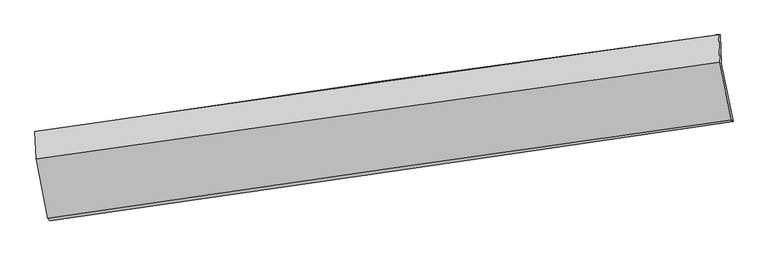
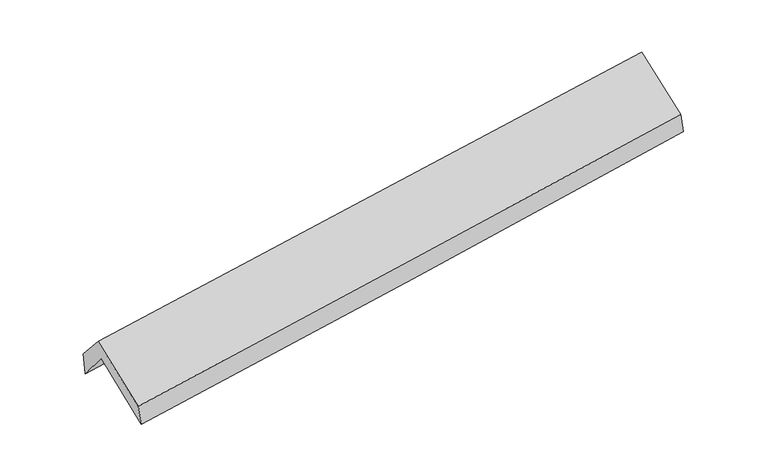
"""IFC4 building model written with IfcOpenShell, lengths in millimetres: proxy geometry."""

from ifc_helpers import new_model, si_unit, frame, origin, place, context, project, spatial, source, transform, mapped, element, save
from ifc_brep_helpers import plane_surface, spline_curve, spline_surface, advanced_brep


def generic_models_c8a0505f(model_context):
    return source(origin(), model_context, "Body", "AdvancedBrep", [
        advanced_brep(
        [(-2907.6434014, -2521.1460207, 1443.6116572), (-3011.4477674, -2003.5479055, 1871.5972182), (2949.8963424, -1143.6134816, 2386.5000831), (3052.9853523, -1650.0847572, 1948.4162439), (-3021.7701407, -1740.512297, 1549.0127059), (2941.2822624, -894.1938233, 2065.6708367), (-3039.0498969, -1737.5829359, 1763.9092209), (2926.7417779, -894.0552277, 2250.5160515), (-3028.1460175, -1976.9882802, 2038.307981), (2937.5472798, -1130.99773, 2521.9163932), (-2925.1537027, -2498.8190196, 1627.9640872), (3037.4847936, -1639.2319292, 2126.9902991)],
        [
            (0, 1),
            (1, 2, spline_curve(3, [(-3011.4477674, -2003.5479055, 1871.5972182), (-2017.620515758, -1860.576751314, 1954.639953998), (-1023.930314458, -1717.430276004, 2039.069706508), (963.184390987, -1430.785470885, 2210.703971387), (1956.608893228, -1287.287138143, 2297.908507085), (2949.8963424, -1143.6134816, 2386.5000831)], [4, 2, 4], [0.0, 9.916380361484146, 19.832844602269084])),
            (2, 3),
            (3, 0, spline_curve(3, [(3052.9853523, -1650.0847572, 1948.4162439), (2060.412076636, -1797.970651744, 1858.003984226), (1067.404273391, -1944.502339049, 1770.73064083), (-919.47198507, -2234.856070554, 1602.462498229), (-1913.340433227, -2378.678137691, 1521.467646116), (-2907.6434014, -2521.1460207, 1443.6116572)], [4, 2, 4], [0.0, 9.916464240784938, 19.832844602269084])),
            (1, 4),
            (4, 5, spline_curve(3, [(-3021.7701407, -1740.512297, 1549.0127059), (-2028.488214749, -1588.630866251, 1623.61846222), (-1034.92832088, -1442.163886758, 1703.975978556), (952.755808818, -1160.057637127, 1876.195258013), (1946.880049324, -1024.418458692, 1968.057119077), (2941.2822624, -894.1938233, 2065.6708367)], [4, 2, 4], [0.0, 9.91634278330149, 19.83276944558591])),
            (5, 2),
            (4, 6),
            (6, 7, spline_curve(3, [(-3039.0498969, -1737.5829359, 1763.9092209), (-2045.774122825, -1593.495156244, 1852.044459323), (-1051.989034019, -1451.157580372, 1936.66249142), (936.608182219, -1169.981648247, 2098.864827585), (1931.420318526, -1031.143321142, 2176.449072756), (2926.7417779, -894.0552277, 2250.5160515)], [4, 2, 4], [0.0, 9.916072174336987, 19.832228225367913])),
            (7, 5),
            (6, 8),
            (8, 9, spline_curve(3, [(-3028.1460175, -1976.9882802, 2038.307981), (-2033.895327219, -1836.875808263, 2120.894650244), (-1039.630976761, -1696.320659592, 2202.488519842), (948.933455421, -1414.323816956, 2363.691340735), (1943.233537337, -1272.88211546, 2443.300275203), (2937.5472798, -1130.99773, 2521.9163932)], [4, 2, 4], [0.0, 9.915922486495104, 19.831928848417988])),
            (9, 7),
            (8, 10),
            (10, 11, spline_curve(3, [(-2925.1537027, -2498.8190196, 1627.9640872), (-1931.756623587, -2350.325494441, 1706.951305841), (-938.173644866, -2204.446766477, 1788.030248004), (1049.37251762, -1917.917691902, 1954.372283109), (2043.335704437, -1777.267390089, 2039.635411551), (3037.4847936, -1639.2319292, 2126.9902991)], [4, 2, 4], [0.0, 9.91601910778387, 19.832122091812806])),
            (11, 9),
            (10, 0),
            (3, 11),
        ],
        [
            spline_surface(3, 3, [[(-2907.6434014, -2521.1460207, 1443.6116572), (-1913.340433133, -2378.678137852, 1521.467646137), (-919.471985137, -2234.856070604, 1602.462498301), (1067.404273458, -1944.502339, 1770.730640757), (2060.412076674, -1797.970651775, 1858.003984178), (3052.9853523, -1650.0847572, 1948.4162439)], [(-2942.244856709, -2348.613315631, 1586.273510879), (-1948.100460638, -2205.977675638, 1665.858415421), (-954.291428243, -2062.380805727, 1747.998234399), (1032.664312673, -1773.263382992, 1917.388417644), (2025.81101549, -1627.742813947, 2004.638825162), (3018.622348988, -1481.260998683, 2094.444190309)], [(-2976.846312091, -2176.080610569, 1728.935364521), (-1982.860488216, -2033.27721343, 1810.24918467), (-989.110871408, -1889.905540819, 1893.533970438), (997.924351829, -1602.024426954, 2064.046194472), (1991.209954342, -1457.514976071, 2151.273666118), (2984.259345712, -1312.437240117, 2240.472136691)], [(-3011.4477674, -2003.5479055, 1871.5972182), (-2017.620515721, -1860.576751216, 1954.639953954), (-1023.930314515, -1717.430275942, 2039.069706536), (963.184391044, -1430.785470947, 2210.703971359), (1956.608893158, -1287.287138243, 2297.908507101), (2949.8963424, -1143.6134816, 2386.5000831)]], [4, 4], [4, 2, 4], [0.0, 2.2463544511246765], [0.0, 9.916380361484146, 19.832844602269084]),
            spline_surface(3, 3, [[(-3011.4477674, -2003.5479055, 1871.5972182), (-2017.620515721, -1860.576751216, 1954.639953954), (-1023.930314515, -1717.430275942, 2039.069706536), (963.184391044, -1430.785470947, 2210.703971359), (1956.608893158, -1287.287138243, 2297.908507101), (2949.8963424, -1143.6134816, 2386.5000831)], [(-3014.888558529, -1915.869369316, 1764.069047441), (-2021.243082064, -1769.92812286, 1844.29945677), (-1027.596316655, -1625.67481286, 1927.371797166), (959.708196946, -1340.542859703, 2099.201066923), (1953.365945239, -1199.664245085, 2187.958044397), (2947.024982417, -1060.473595495, 2279.557000981)], [(-3018.329349571, -1828.190833184, 1656.540876659), (-2024.865648319, -1679.279494556, 1733.958959563), (-1031.262318733, -1533.919349765, 1815.673887843), (956.232002909, -1250.300248446, 1987.698162533), (1950.122997268, -1112.041351943, 2078.00758165), (2944.153622383, -977.333709405, 2172.613918819)], [(-3021.7701407, -1740.512297, 1549.0127059), (-2028.488214662, -1588.6308662, 1623.618462378), (-1034.928320873, -1442.163886683, 1703.975978473), (952.755808811, -1160.057637202, 1876.195258096), (1946.880049349, -1024.418458784, 1968.057118946), (2941.2822624, -894.1938233, 2065.6708367)]], [4, 4], [4, 2, 4], [0.0, 1.4177406349485326], [0.0, 9.91634278330149, 19.83276944558591]),
            spline_surface(3, 3, [[(-3021.7701407, -1740.512297, 1549.0127059), (-2028.488214662, -1588.6308662, 1623.618462378), (-1034.928320873, -1442.163886683, 1703.975978473), (952.755808811, -1160.057637202, 1876.195258096), (1946.880049349, -1024.418458784, 1968.057118946), (2941.2822624, -894.1938233, 2065.6708367)], [(-3027.530059422, -1739.535843313, 1620.644877563), (-2034.250183986, -1590.252296193, 1699.760461389), (-1040.615225269, -1445.161784615, 1781.538149416), (947.373266624, -1163.365640844, 1950.41844795), (1941.726805747, -1026.660079534, 2037.521103511), (2936.435434218, -894.147624753, 2127.285908291)], [(-3033.289978178, -1738.559389587, 1692.277049237), (-2040.012153344, -1591.873726146, 1775.902460411), (-1046.30212966, -1448.159682553, 1859.10032038), (941.990724442, -1166.673644491, 2024.641637827), (1936.57356219, -1028.901700324, 2106.985088103), (2931.588606082, -894.101426247, 2188.900979909)], [(-3039.0498969, -1737.5829359, 1763.9092209), (-2045.774122669, -1593.495156139, 1852.044459422), (-1051.989034056, -1451.157580485, 1936.662491323), (936.608182255, -1169.981648134, 2098.864827681), (1931.420318588, -1031.143321073, 2176.449072668), (2926.7417779, -894.0552277, 2250.5160515)]], [4, 4], [4, 2, 4], [0.0, 0.7496014819197357], [0.0, 9.916072174336987, 19.832228225367913]),
            spline_surface(3, 3, [[(-3039.0498969, -1737.5829359, 1763.9092209), (-2045.774122669, -1593.495156139, 1852.044459422), (-1051.989034056, -1451.157580485, 1936.662491323), (936.608182255, -1169.981648134, 2098.864827681), (1931.420318588, -1031.143321073, 2176.449072668), (2926.7417779, -894.0552277, 2250.5160515)], [(-3035.415270439, -1817.384717317, 1855.375474273), (-2041.814524219, -1674.622040123, 1941.661189737), (-1047.869681608, -1532.878606858, 2025.271167502), (940.716606675, -1251.429037766, 2187.140332018), (1935.358058186, -1111.722919212, 2265.399473536), (2930.343611892, -973.0360618, 2340.982832055)], [(-3031.780643961, -1897.186498783, 1946.841727627), (-2037.854925753, -1755.748924157, 2031.277920034), (-1043.750329231, -1614.599633187, 2113.879843693), (944.825031024, -1332.876427356, 2275.415836368), (1939.29579771, -1192.302517351, 2354.349874438), (2933.945445808, -1052.0168959, 2431.449612645)], [(-3028.1460175, -1976.9882802, 2038.307981), (-2033.895327303, -1836.875808141, 2120.894650349), (-1039.630976783, -1696.320659559, 2202.488519871), (948.933455444, -1414.323816988, 2363.691340706), (1943.233537308, -1272.88211549, 2443.300275306), (2937.5472798, -1130.99773, 2521.9163932)]], [4, 4], [4, 2, 4], [0.0, 1.1849882746966967], [0.0, 9.915922486495104, 19.831928848417988]),
            spline_surface(3, 3, [[(-3028.1460175, -1976.9882802, 2038.307981), (-2033.895327303, -1836.875808141, 2120.894650349), (-1039.630976783, -1696.320659559, 2202.488519871), (948.933455444, -1414.323816988, 2363.691340706), (1943.233537308, -1272.88211549, 2443.300275306), (2937.5472798, -1130.99773, 2521.9163932)], [(-2993.815245876, -2150.931860003, 1901.526683059), (-1999.849092664, -2008.025703608, 1982.91353547), (-1005.811866106, -1865.696028472, 2064.335762578), (982.413142804, -1582.188441966, 2227.251654878), (1976.600926285, -1441.010540329, 2308.745320753), (2970.859784388, -1300.409129723, 2390.27436184)], [(-2959.484474324, -2324.875439797, 1764.745385141), (-1965.802858096, -2179.175599065, 1844.932420613), (-971.992755438, -2035.071397465, 1926.183005233), (1015.892830156, -1750.053067024, 2090.811969), (2009.968315299, -1609.138965198, 2174.19036618), (3004.172289012, -1469.820529477, 2258.63233046)], [(-2925.1537027, -2498.8190196, 1627.9640872), (-1931.756623457, -2350.325494533, 1706.951305733), (-938.173644761, -2204.446766377, 1788.03024794), (1049.372517515, -1917.917692002, 1954.372283173), (2043.335704276, -1777.267390037, 2039.635411627), (3037.4847936, -1639.2319292, 2126.9902991)]], [4, 4], [4, 2, 4], [0.0, 2.1656950706796074], [0.0, 9.91601910778387, 19.832122091812806]),
            spline_surface(3, 3, [[(-2925.1537027, -2498.8190196, 1627.9640872), (-1931.756623457, -2350.325494533, 1706.951305733), (-938.173644761, -2204.446766377, 1788.03024794), (1049.372517515, -1917.917692002, 1954.372283173), (2043.335704276, -1777.267390037, 2039.635411627), (3037.4847936, -1639.2319292, 2126.9902991)], [(-2919.316935624, -2506.261353319, 1566.513277186), (-1925.617893373, -2359.776375658, 1645.123419187), (-931.939758244, -2214.583201119, 1726.174331384), (1055.383102805, -1926.779241, 1893.158402358), (2049.027828407, -1784.168477296, 1979.091602468), (3042.651646498, -1642.849538546, 2067.465614024)], [(-2913.480168476, -2513.703686981, 1505.062467214), (-1919.479163217, -2369.227256726, 1583.295532683), (-925.705871654, -2224.719635862, 1664.318414857), (1061.393688168, -1935.640790001, 1831.944521572), (2054.719952544, -1791.069564516, 1918.547793337), (3047.818499402, -1646.467147854, 2007.940928976)], [(-2907.6434014, -2521.1460207, 1443.6116572), (-1913.340433133, -2378.678137852, 1521.467646137), (-919.471985137, -2234.856070604, 1602.462498301), (1067.404273458, -1944.502339, 1770.730640757), (2060.412076674, -1797.970651775, 1858.003984178), (3052.9853523, -1650.0847572, 1948.4162439)]], [4, 4], [4, 2, 4], [0.0, 0.6157875456030859], [0.0, 9.916305199845374, 19.83269427835577]),
            plane_surface(frame((2974.3229681, -1225.3628248, 2216.6683179), z_axis=(0.9879433082540485, 0.13395543880085567, 0.07761417455411224), x_axis=(0.15343148169491488, -0.7802788291477888, -0.6063198241923636))),
            plane_surface(frame((-2988.8684878, -2079.7660765, 1715.7338118), z_axis=(-0.9879433082546404, -0.13395543879151317, -0.0776141745627042), x_axis=(-0.0938773096655619, 0.11970089916602898, 0.98836164710535))),
        ],
        [
            (0, [[1, 2, 3, 4]]),
            (1, [[5, 6, 7, -2]]),
            (2, [[8, 9, 10, -6]]),
            (3, [[11, 12, 13, -9]]),
            (4, [[14, 15, 16, -12]]),
            (5, [[17, -4, 18, -15]]),
            (6, [[-16, -18, -3, -7, -10, -13]]),
            (7, [[-17, -14, -11, -8, -5, -1]]),
        ],
    ),
    ])


if __name__ == "__main__":
    model = new_model("IFC4")
    model_context = context("Model", 3, world=origin())
    ifc_project = project(units=[si_unit("LENGTHUNIT", "METRE", prefix="MILLI")], contexts=[model_context])
    site = spatial("IfcSite", under=ifc_project)
    building = spatial("IfcBuilding", under=site)
    placement = place(None, origin())
    generic_models_shape = generic_models_c8a0505f(model_context)
    element("IfcBuildingElementProxy", 1, Name="Generic Models", at=placement, inside=building, context=model_context, shape_type="MappedRepresentation", body=[
        mapped(generic_models_shape, transform((0.0, 0.0, 0.0), x_axis=(1.0, 0.0, 0.0), y_axis=(0.0, 1.0, 0.0), z_axis=(0.0, 0.0, 1.0))),
    ])
    save(model, "model.ifc")
